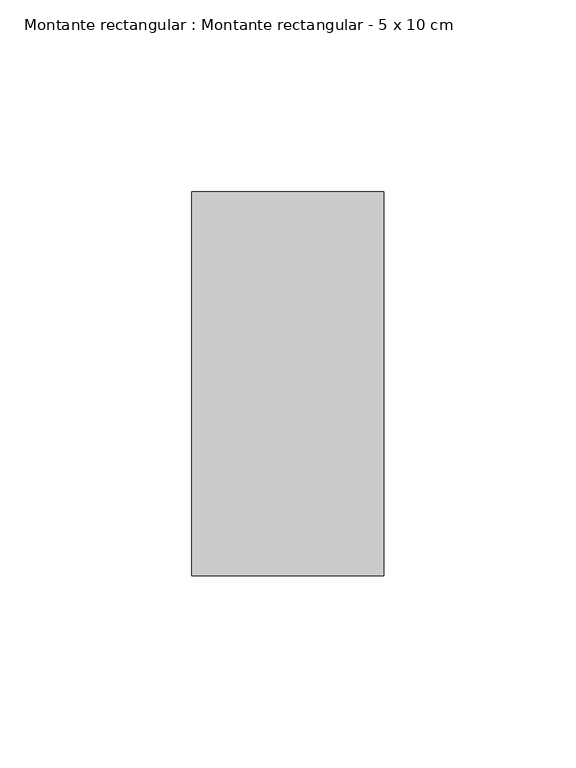
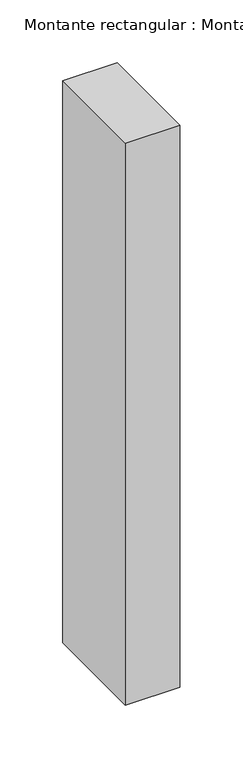
"""IFC4 building model written with IfcOpenShell, lengths in millimetres: member geometry, Montante rectangular : Montante rectangular - 5 x 10 cm."""

from ifc_helpers import new_model, si_unit, frame, origin, place, context, project, spatial, polyline, outline, extrude, source, transform, mapped, element, save


def montante_rectangular_montante_rectangular_5_x_10_cm_776e27f6(model_context):
    return source(origin(), model_context, "Body", "SweptSolid", [
        extrude(outline(polyline([(0.0, 50.0), (0.0, -50.0), (-50.0, -50.0), (-50.0, 50.0), (0.0, 50.0)])), frame((0.0, 0.0, -547.0), z_axis=(0.0, 0.0, 1.0), x_axis=(1.0, 0.0, 0.0)), (0.0, 0.0, 1.0), 547.0),
    ])


if __name__ == "__main__":
    model = new_model("IFC4")
    model_context = context("Model", 3, world=origin())
    ifc_project = project(units=[si_unit("LENGTHUNIT", "METRE", prefix="MILLI")], contexts=[model_context])
    site = spatial("IfcSite", under=ifc_project)
    building = spatial("IfcBuilding", under=site)
    placement = place(None, origin())
    montante_rectangular_montante_rectangular_5_x_10_cm_shape = montante_rectangular_montante_rectangular_5_x_10_cm_776e27f6(model_context)
    element("IfcMember", 1, ObjectType="Montante rectangular : Montante rectangular - 5 x 10 cm", at=placement, inside=building, context=model_context, shape_type="MappedRepresentation", body=[
        mapped(montante_rectangular_montante_rectangular_5_x_10_cm_shape, transform((0.0, 0.0, 0.0), x_axis=(1.0, 0.0, 0.0), y_axis=(0.0, 1.0, 0.0), z_axis=(0.0, 0.0, 1.0))),
    ])
    save(model, "model.ifc")
